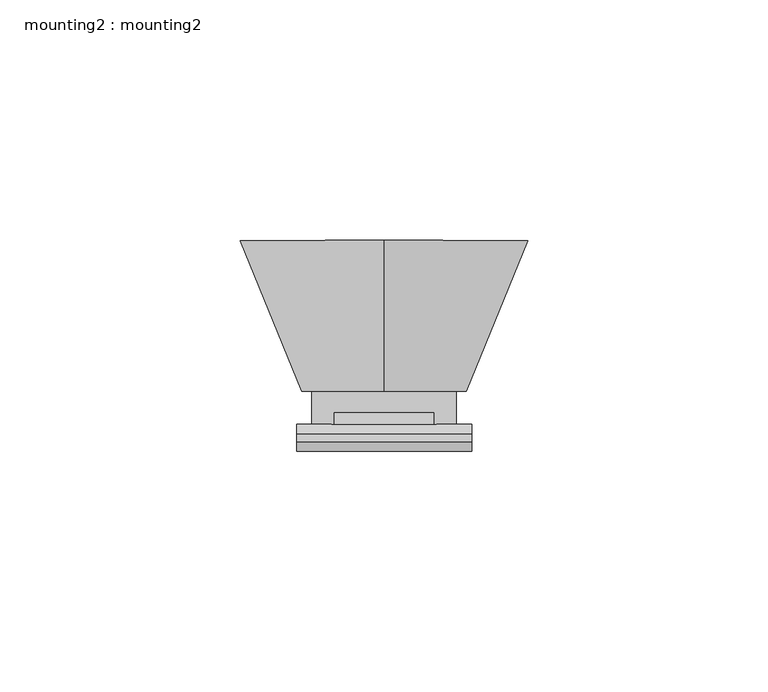
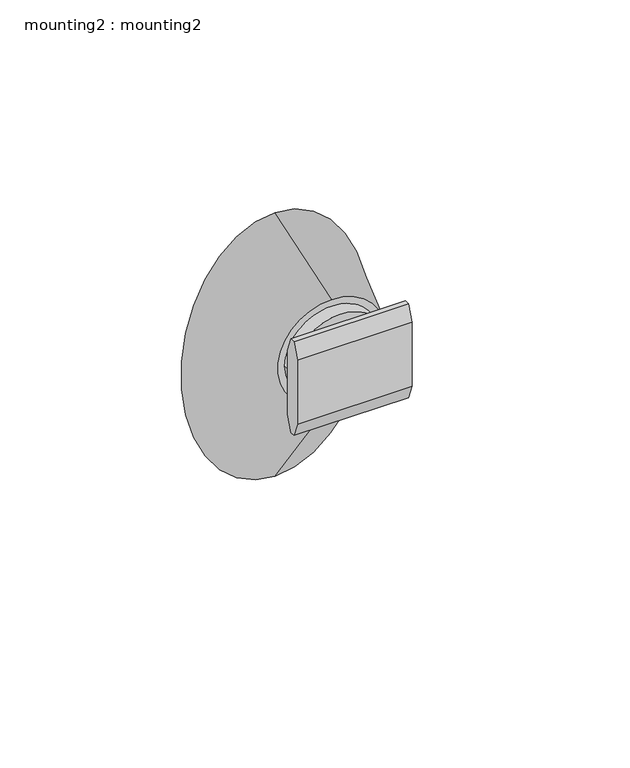
"""IFC4 building model written with IfcOpenShell, lengths in millimetres: proxy geometry, mounting2 : mounting2."""

from ifc_helpers import new_model, si_unit, frame, origin, place, context, project, spatial, polyline, circle_curve, ellipse_curve, outline, extrude, source, transform, mapped, element, save
from ifc_brep_helpers import plane_surface, cylinder_surface, spline_surface, advanced_brep


def mounting2_mounting2_f71f7226(model_context):
    return source(origin(), model_context, "Body", "SolidModel", [
        advanced_brep(
        [(-15.0, 57.9714056, 69.825), (15.0, 57.9714056, 69.825), (10.4451577, 57.9714056, 80.590625), (-10.4451577, 57.9714056, 80.590625), (15.0, 64.88025, 69.825), (-15.0, 64.88025, 69.825), (-10.4451577, 60.429537, 80.590625), (10.4451577, 60.429537, 80.590625)],
        [
            (0, 1, circle_curve(frame((0.0, 57.9714056, 69.825), z_axis=(0.0, -1.0, 0.0), x_axis=(-1.0, 0.0, 0.0)), 15.0)),
            (1, 2, circle_curve(frame((0.0, 57.9714056, 69.825), z_axis=(0.0, -1.0, 0.0), x_axis=(-1.0, 0.0, 0.0)), 15.0)),
            (2, 3),
            (3, 0, circle_curve(frame((0.0, 57.9714056, 69.825), z_axis=(0.0, -1.0, 0.0), x_axis=(-1.0, 0.0, 0.0)), 15.0)),
            (4, 5, circle_curve(frame((0.0, 64.88025, 69.825), z_axis=(0.0, 1.0, 0.0), x_axis=(-1.0, 0.0, 0.0)), 15.0)),
            (5, 4, circle_curve(frame((0.0, 64.88025, 69.825), z_axis=(0.0, 1.0, 0.0), x_axis=(-1.0, 0.0, 0.0)), 15.0)),
            (0, 5),
            (4, 1),
            (3, 6),
            (6, 7, circle_curve(frame((0.0, 60.429537, 69.825), z_axis=(0.0, 1.0, 0.0), x_axis=(-1.0, 0.0, 0.0)), 15.0)),
            (7, 2),
            (6, 7),
        ],
        [
            plane_surface(frame((-15.0, 57.9714056, 69.825), z_axis=(0.0, -1.0, 0.0), x_axis=(0.0, 0.0, -1.0))),
            plane_surface(frame((-15.0, 64.88025, 69.825), z_axis=(0.0, 1.0, 0.0), x_axis=(0.0, 0.0, 1.0))),
            cylinder_surface(frame((0.0, 64.88025, 69.825), z_axis=(0.0, -1.0, 0.0), x_axis=(-1.0, 0.0, 0.0)), 15.0),
            plane_surface(frame((-18.1104316, 60.429537, 87.2576797), z_axis=(0.0, -1.0, 0.0), x_axis=(1.0, 0.0, 0.0))),
            plane_surface(frame((-18.1104316, 60.429537, 80.590625), z_axis=(0.0, 0.0, 1.0), x_axis=(1.0, 0.0, 0.0))),
        ],
        [
            (0, [[1, 2, 3, 4]]),
            (1, [[5, 6]]),
            (2, [[-1, 7, -5, 8]]),
            (2, [[-6, -7, -4, 9, 10, 11, -2, -8]]),
            (3, [[12, -10]]),
            (4, [[-12, -9, -3, -11]]),
        ],
    ),
        extrude(outline(polyline([(52.33025, 80.590625), (54.3508278, 85.590625), (55.9508278, 85.590625), (57.9714056, 80.590625), (57.9714056, 59.059375), (55.9508278, 54.059375), (54.3508278, 54.059375), (52.33025, 59.059375), (52.33025, 80.590625)])), frame((-18.1104316, 0.0, 0.0), z_axis=(1.0, 0.0, 0.0), x_axis=(0.0, 1.0, 0.0)), (0.0, 0.0, 1.0), 36.4026322),
        advanced_brep(
        [(0.0, 64.88025, 52.625), (0.0, 64.88025, 87.025), (0.0, 96.18025, 8.6), (0.0, 96.18025, 97.3)],
        [
            (0, 1, circle_curve(frame((0.0, 64.88025, 69.825), z_axis=(0.0, -1.0, 0.0), x_axis=(0.0, 0.0, 1.0)), 17.2)),
            (1, 0, circle_curve(frame((0.0, 64.88025, 69.825), z_axis=(0.0, -1.0, 0.0), x_axis=(0.0, 0.0, 1.0)), 17.2)),
            (2, 3, ellipse_curve(frame((0.0, 96.18025, 52.95), z_axis=(0.0, 1.0, 0.0), x_axis=(0.0, 0.0, 1.0)), 44.35, 30.0)),
            (3, 2, ellipse_curve(frame((0.0, 96.18025, 52.95), z_axis=(0.0, 1.0, 0.0), x_axis=(0.0, 0.0, 1.0)), 44.35, 30.0)),
            (3, 1),
            (0, 2),
        ],
        [
            plane_surface(frame((0.0, 64.88025, 69.825), z_axis=(0.0, -1.0, 0.0), x_axis=(1.0, 0.0, 0.0))),
            plane_surface(frame((0.0, 96.18025, 52.95), z_axis=(0.0, 1.0, 0.0), x_axis=(1.0, 0.0, 0.0))),
            spline_surface(2, 1, [[(0.0, 96.18025, 8.6), (0.0, 64.88025, 52.625)], [(30.0, 96.18025, 8.600000000000001), (17.200000000000003, 64.88025, 52.625)], [(30.0, 96.18025, 52.95), (17.200000000000003, 64.88025, 69.825)], [(30.000000000000007, 96.18025, 97.30000000000001), (17.200000000000006, 64.88025, 87.025)], [(0.0, 96.18025, 97.3), (0.0, 64.88025, 87.025)]], [3, 2, 3], [2, 2], [0.0, 1.0, 2.0], [0.0, 1.0], weights=[[1.0, 1.0], [0.7071067811865476, 0.7071067811865476], [1.0, 1.0], [0.7071067811865475, 0.7071067811865475], [1.0, 1.0]]),
            spline_surface(2, 1, [[(0.0, 96.18025, 97.3), (0.0, 64.88025, 87.025)], [(-29.999999999999996, 96.18025, 97.3), (-17.200000000000003, 64.88025, 87.025)], [(-29.999999999999996, 96.18025, 52.95), (-17.200000000000003, 64.88025, 69.825)], [(-30.0, 96.18025, 8.600000000000009), (-17.200000000000006, 64.88025, 52.625)], [(0.0, 96.18025, 8.6), (0.0, 64.88025, 52.625)]], [3, 2, 3], [2, 2], [0.0, 1.0, 2.0], [0.0, 1.0], weights=[[1.0, 1.0], [0.7071067811865476, 0.7071067811865476], [1.0, 1.0], [0.7071067811865475, 0.7071067811865475], [1.0, 1.0]]),
        ],
        [
            (0, [[1, 2]]),
            (1, [[3, 4]]),
            (2, [[-4, 5, -1, 6]]),
            (3, [[-3, -6, -2, -5]]),
        ],
    ),
    ])


if __name__ == "__main__":
    model = new_model("IFC4")
    model_context = context("Model", 3, world=origin())
    ifc_project = project(units=[si_unit("LENGTHUNIT", "METRE", prefix="MILLI")], contexts=[model_context])
    site = spatial("IfcSite", under=ifc_project)
    building = spatial("IfcBuilding", under=site)
    placement = place(None, origin())
    mounting2_mounting2_shape = mounting2_mounting2_f71f7226(model_context)
    element("IfcBuildingElementProxy", 1, Name="mounting2 : mounting2", ObjectType="mounting2 : mounting2", at=placement, inside=building, context=model_context, shape_type="MappedRepresentation", body=[
        mapped(mounting2_mounting2_shape, transform((0.0, 0.0, 0.0), x_axis=(1.0, 0.0, 0.0), y_axis=(0.0, 1.0, 0.0), z_axis=(0.0, 0.0, 1.0))),
    ])
    save(model, "model.ifc")
